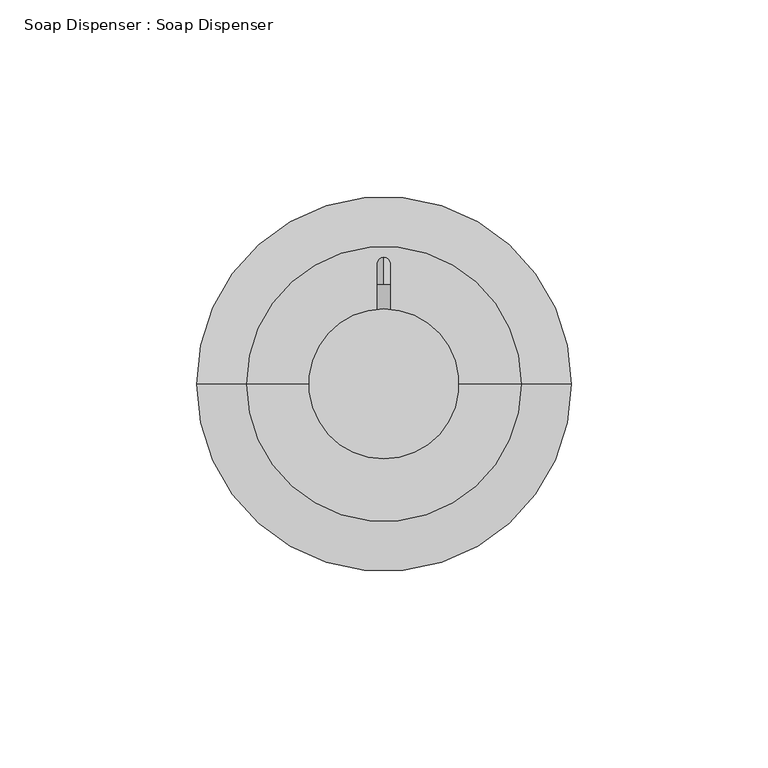
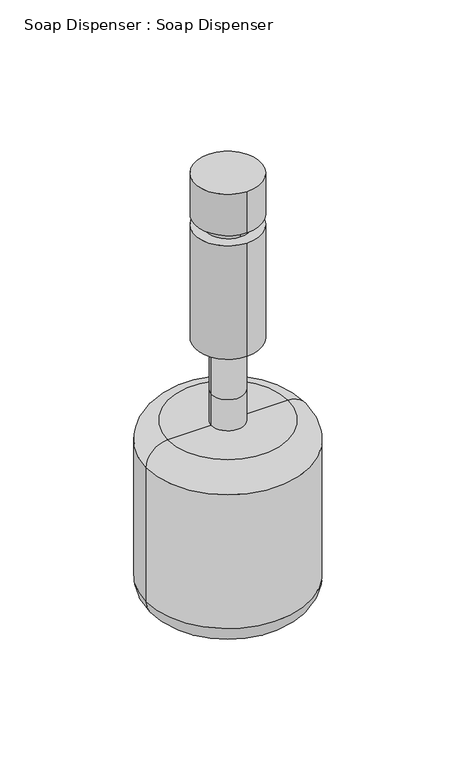
"""IFC4 building model written with IfcOpenShell, lengths in millimetres: proxy geometry, Soap Dispenser : Soap Dispenser."""

from ifc_helpers import new_model, si_unit, point, frame, frame_2d, origin, origin_with_axes, place, context, project, spatial, circle_curve, ellipse_curve, trimmed, segment, composite_curve, outline, extrude, source, transform, mapped, element, save
from ifc_brep_helpers import plane_surface, cylinder_surface, revolved_surface, advanced_brep


def soap_dispenser_soap_dispenser_76a859bf(model_context):
    return source(origin(), model_context, "Body", "SolidModel", [
        advanced_brep(
        [(13.9267995, 0.0, -50.8), (13.9267995, 0.0, -31.75), (-5.1232005, 0.0, -31.75), (-5.1232005, 0.0, -50.8), (39.3267995, 0.0, -50.8), (-30.5232005, 0.0, -50.8), (52.0267995, 0.0, -63.5), (-43.2232005, 0.0, -63.5), (52.0267995, 0.0, -146.05), (-43.2232005, 0.0, -146.05), (39.3267995, 0.0, -158.75), (-30.5232005, 0.0, -158.75), (4.4017995, 0.0, -158.75), (13.9267995, 0.0, 0.0), (4.4017995, 0.0, 0.0), (-5.1232005, 0.0, 0.0)],
        [
            (0, 1),
            (1, 2, circle_curve(frame((4.4017995, 0.0, -31.75), z_axis=(0.0, 0.0, -1.0), x_axis=(-1.0, 0.0, 0.0)), 9.525)),
            (2, 3),
            (3, 0, circle_curve(frame((4.4017995, 0.0, -50.8), z_axis=(0.0, 0.0, 1.0), x_axis=(-1.0, 0.0, 0.0)), 9.525)),
            (2, 1, circle_curve(frame((4.4017995, 0.0, -31.75), z_axis=(0.0, 0.0, -1.0), x_axis=(-1.0, 0.0, 0.0)), 9.525)),
            (0, 3, circle_curve(frame((4.4017995, 0.0, -50.8), z_axis=(0.0, 0.0, 1.0), x_axis=(-1.0, 0.0, 0.0)), 9.525)),
            (4, 0),
            (3, 5),
            (5, 4, circle_curve(frame((4.4017995, 0.0, -50.8), z_axis=(0.0, 0.0, 1.0), x_axis=(-1.0, 0.0, 0.0)), 34.925)),
            (4, 5, circle_curve(frame((4.4017995, 0.0, -50.8), z_axis=(0.0, 0.0, 1.0), x_axis=(-1.0, 0.0, 0.0)), 34.925)),
            (6, 4, circle_curve(frame((39.3267995, 0.0, -63.5), z_axis=(0.0, -1.0, 0.0), x_axis=(-1.0, 0.0, 0.0)), 12.7)),
            (5, 7, circle_curve(frame((-30.5232005, 0.0, -63.5), z_axis=(0.0, -1.0, 0.0), x_axis=(1.0, 0.0, 0.0)), 12.7)),
            (7, 6, circle_curve(frame((4.4017995, 0.0, -63.5), z_axis=(0.0, 0.0, 1.0), x_axis=(-1.0, 0.0, 0.0)), 47.625)),
            (6, 7, circle_curve(frame((4.4017995, 0.0, -63.5), z_axis=(0.0, 0.0, 1.0), x_axis=(-1.0, 0.0, 0.0)), 47.625)),
            (8, 6),
            (7, 9),
            (9, 8, circle_curve(frame((4.4017995, 0.0, -146.05), z_axis=(0.0, 0.0, 1.0), x_axis=(-1.0, 0.0, 0.0)), 47.625)),
            (8, 9, circle_curve(frame((4.4017995, 0.0, -146.05), z_axis=(0.0, 0.0, 1.0), x_axis=(-1.0, 0.0, 0.0)), 47.625)),
            (10, 8, circle_curve(frame((39.3267995, 0.0, -146.05), z_axis=(0.0, -1.0, 0.0), x_axis=(-1.0, 0.0, 0.0)), 12.7)),
            (9, 11, circle_curve(frame((-30.5232005, 0.0, -146.05), z_axis=(0.0, -1.0, 0.0), x_axis=(1.0, 0.0, 0.0)), 12.7)),
            (11, 10, circle_curve(frame((4.4017995, 0.0, -158.75), z_axis=(0.0, 0.0, 1.0), x_axis=(-1.0, 0.0, 0.0)), 34.925)),
            (10, 11, circle_curve(frame((4.4017995, 0.0, -158.75), z_axis=(0.0, 0.0, 1.0), x_axis=(-1.0, 0.0, 0.0)), 34.925)),
            (12, 10),
            (11, 12),
            (13, 14),
            (14, 15),
            (15, 13, circle_curve(frame((4.4017995, 0.0, 0.0), z_axis=(0.0, 0.0, 1.0), x_axis=(-1.0, 0.0, 0.0)), 9.525)),
            (13, 15, circle_curve(frame((4.4017995, 0.0, 0.0), z_axis=(0.0, 0.0, 1.0), x_axis=(-1.0, 0.0, 0.0)), 9.525)),
            (1, 13),
            (15, 2),
        ],
        [
            cylinder_surface(frame((4.4017995, 0.0, 0.0), z_axis=(0.0, 0.0, -1.0), x_axis=(-1.0, 0.0, 0.0)), 9.525),
            plane_surface(frame((4.4017995, 0.0, -50.8), z_axis=(0.0, 0.0, 1.0), x_axis=(-1.0, 0.0, 0.0))),
            revolved_surface(trimmed(ellipse_curve(frame((-30.5232005, 0.0, -63.5), z_axis=(0.0, -1.0, 0.0), x_axis=(1.0, 0.0, 0.0)), 12.7, 12.7), [point((-30.5232005, 0.0, -50.8))], [point((-43.2232005, 0.0, -63.5))], True, "CARTESIAN"), (4.4017995, 0.0, 0.0), (0.0, 0.0, -1.0)),
            cylinder_surface(frame((4.4017995, 0.0, 0.0), z_axis=(0.0, 0.0, -1.0), x_axis=(-1.0, 0.0, 0.0)), 47.625),
            revolved_surface(trimmed(ellipse_curve(frame((-30.5232005, 0.0, -146.05), z_axis=(0.0, -1.0, 0.0), x_axis=(1.0, 0.0, 0.0)), 12.7, 12.7), [point((-43.2232005, 0.0, -146.05))], [point((-30.5232005, 0.0, -158.75))], True, "CARTESIAN"), (4.4017995, 0.0, 0.0), (0.0, 0.0, -1.0)),
            plane_surface(frame((4.4017995, 0.0, -158.75), z_axis=(0.0, 0.0, -1.0), x_axis=(-1.0, 0.0, 0.0))),
            plane_surface(frame((4.4017995, 0.0, 0.0), z_axis=(0.0, 0.0, 1.0), x_axis=(-1.0, 0.0, 0.0))),
        ],
        [
            (0, [[1, 2, 3, 4]]),
            (0, [[-3, 5, -1, 6]]),
            (1, [[7, -4, 8, 9]]),
            (1, [[-8, -6, -7, 10]]),
            (2, [[11, -9, 12, 13]]),
            (2, [[-12, -10, -11, 14]]),
            (3, [[15, -13, 16, 17]]),
            (3, [[-16, -14, -15, 18]]),
            (4, [[19, -17, 20, 21]]),
            (4, [[-20, -18, -19, 22]]),
            (5, [[23, -21, 24]]),
            (5, [[-24, -22, -23]]),
            (6, [[25, 26, 27]]),
            (6, [[-26, -25, 28]]),
            (0, [[29, -27, 30, -2]]),
            (0, [[-30, -28, -29, -5]]),
        ],
    ),
        advanced_brep(
        [(4.3596196, 25.4, 90.5365489), (4.3596196, 25.4, 87.27831), (4.3596196, 32.1674223, 83.7691266), (4.3596196, 28.9091834, 83.7691266)],
        [
            (0, 1, circle_curve(frame((4.3596196, 25.4, 88.9074295), z_axis=(0.0, -1.0, 0.0), x_axis=(0.0, 0.0, -1.0)), 1.6291195)),
            (1, 0, circle_curve(frame((4.3596196, 25.4, 88.9074295), z_axis=(0.0, -1.0, 0.0), x_axis=(0.0, 0.0, -1.0)), 1.6291195)),
            (2, 3, circle_curve(frame((4.3596196, 30.5383029, 83.7691266), z_axis=(0.0, 0.0, -1.0), x_axis=(0.0, -1.0, 0.0)), 1.6291195)),
            (3, 2, circle_curve(frame((4.3596196, 30.5383029, 83.7691266), z_axis=(0.0, 0.0, -1.0), x_axis=(0.0, -1.0, 0.0)), 1.6291195)),
            (2, 0, circle_curve(frame((4.3596196, 25.4, 83.7691266), z_axis=(1.0, 0.0, 0.0), x_axis=(0.0, 0.0, 1.0)), 6.7674223)),
            (1, 3, circle_curve(frame((4.3596196, 25.4, 83.7691266), z_axis=(-1.0, 0.0, 0.0), x_axis=(0.0, 0.0, 1.0)), 3.5091834)),
        ],
        [
            plane_surface(frame((-141.6903804, 25.4, 88.9074295), z_axis=(0.0, -1.0, 0.0), x_axis=(1.0, 0.0, 0.0))),
            plane_surface(frame((-141.6903804, 30.5383029, 83.7691266), z_axis=(0.0, 0.0, -1.0), x_axis=(1.0, 0.0, 0.0))),
            revolved_surface(trimmed(ellipse_curve(frame((4.3596196, 25.4, 88.9074295), z_axis=(0.0, 1.0, 0.0), x_axis=(0.0, 0.0, -1.0)), 1.6291195, 1.6291195), [point((4.3596196, 25.4, 90.5365489))], [point((4.3596196, 25.4, 87.27831))], True, "CARTESIAN"), (-141.6903804, 25.4, 83.7691266), (1.0, 0.0, 0.0)),
            revolved_surface(trimmed(ellipse_curve(frame((4.3596196, 25.4, 88.9074295), z_axis=(0.0, 1.0, 0.0), x_axis=(0.0, 0.0, -1.0)), 1.6291195, 1.6291195), [point((4.3596196, 25.4, 87.27831))], [point((4.3596196, 25.4, 90.5365489))], True, "CARTESIAN"), (-141.6903804, 25.4, 83.7691266), (1.0, 0.0, 0.0)),
        ],
        [
            (0, [[1, 2]]),
            (1, [[3, 4]]),
            (2, [[-3, 5, -2, 6]]),
            (3, [[-4, -6, -1, -5]]),
        ],
    ),
        extrude(outline(composite_curve([segment(trimmed(circle_curve(frame_2d((88.9, 4.3521901)), 1.6460119), [point((88.9, 2.7061782))], [point((88.9, 5.998202))], False, "CARTESIAN"), True, "CONTINUOUS"), segment(trimmed(circle_curve(frame_2d((88.9, 4.3521901)), 1.6460119), [point((88.9, 5.998202))], [point((88.9, 2.7061782))], False, "CARTESIAN"), True, "CONTINUOUS")], self_intersect=False)), frame((0.0, 19.05, 0.0), z_axis=(0.0, 1.0, 0.0), x_axis=(0.0, 0.0, 1.0)), (0.0, 0.0, 1.0), 6.35),
        extrude(outline(composite_curve([segment(trimmed(circle_curve(frame_2d((4.4017995, 0.0)), 19.05), [point((4.4017995, -19.05))], [point((4.4017995, 19.05))], False, "CARTESIAN"), True, "CONTINUOUS"), segment(trimmed(circle_curve(frame_2d((4.4017995, 0.0)), 19.05), [point((4.4017995, 19.05))], [point((4.4017995, -19.05))], False, "CARTESIAN"), True, "CONTINUOUS")], self_intersect=False)), frame((0.0, 0.0, 76.2), z_axis=(0.0, 0.0, 1.0), x_axis=(1.0, 0.0, 0.0)), (0.0, 0.0, 1.0), 25.4),
        extrude(outline(composite_curve([segment(trimmed(circle_curve(frame_2d((4.4017995, 0.0)), 12.7), [point((4.4017995, -12.7))], [point((4.4017995, 12.7))], False, "CARTESIAN"), True, "CONTINUOUS"), segment(trimmed(circle_curve(frame_2d((4.4017995, 0.0)), 12.7), [point((4.4017995, 12.7))], [point((4.4017995, -12.7))], False, "CARTESIAN"), True, "CONTINUOUS")], self_intersect=False)), frame((0.0, 0.0, 69.85), z_axis=(0.0, 0.0, 1.0), x_axis=(1.0, 0.0, 0.0)), (0.0, 0.0, 1.0), 6.35),
        extrude(outline(composite_curve([segment(trimmed(circle_curve(frame_2d((4.4017995, 0.0)), 19.05), [point((4.4017995, -19.05))], [point((4.4017995, 19.05))], False, "CARTESIAN"), True, "CONTINUOUS"), segment(trimmed(circle_curve(frame_2d((4.4017995, 0.0)), 19.05), [point((4.4017995, 19.05))], [point((4.4017995, -19.05))], False, "CARTESIAN"), True, "CONTINUOUS")], self_intersect=False)), origin_with_axes(), (0.0, 0.0, 1.0), 69.85),
    ])


if __name__ == "__main__":
    model = new_model("IFC4")
    model_context = context("Model", 3, world=origin())
    ifc_project = project(units=[si_unit("LENGTHUNIT", "METRE", prefix="MILLI")], contexts=[model_context])
    site = spatial("IfcSite", under=ifc_project)
    building = spatial("IfcBuilding", under=site)
    placement = place(None, origin())
    soap_dispenser_soap_dispenser_shape = soap_dispenser_soap_dispenser_76a859bf(model_context)
    element("IfcBuildingElementProxy", 1, Name="Soap Dispenser : Soap Dispenser", ObjectType="Soap Dispenser : Soap Dispenser", at=placement, inside=building, context=model_context, shape_type="MappedRepresentation", body=[
        mapped(soap_dispenser_soap_dispenser_shape, transform((0.0, 0.0, 0.0), x_axis=(1.0, 0.0, 0.0), y_axis=(0.0, 1.0, 0.0), z_axis=(0.0, 0.0, 1.0))),
    ])
    save(model, "model.ifc")
